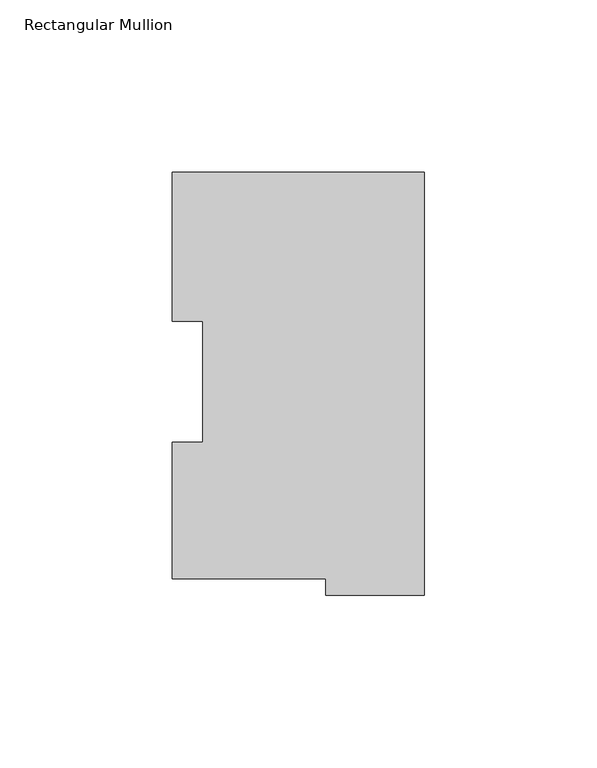
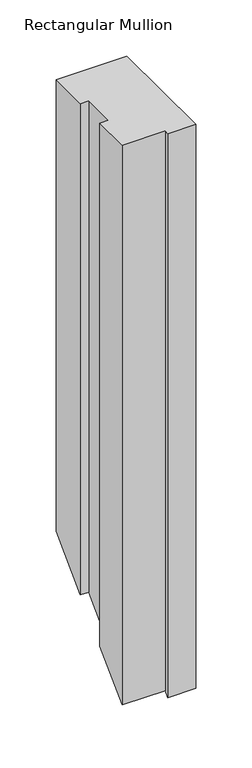
"""IFC4 building model written with IfcOpenShell, lengths in millimetres: member geometry, Rectangular Mullion."""

from ifc_helpers import new_model, si_unit, origin, place, context, project, spatial, faceted_brep, source, transform, mapped, element, save


def rectangular_mullion_6becf256(model_context):
    return source(origin(), model_context, "Body", "Brep", [
        faceted_brep([(0.0, 117.827425, 0.0), (-73.025, 117.827425, 0.0), (-73.025, 74.596625, 0.0), (-64.2874, 74.596625, 0.0), (-64.2874, 39.646225, 0.0), (-73.025, 39.646225, 0.0), (-73.025, -0.028575, 0.0), (-28.575, -0.028575, 0.0), (-28.575, -4.778375, 0.0), (0.0, -4.778375, 0.0), (0.0, 117.827425, -491.740825), (-73.025, 117.827425, -491.740825), (-73.025, 74.596625, -534.971625), (-64.2874, 74.596625, -534.971625), (-64.2874, 39.646225, -569.922025), (-73.025, 39.646225, -569.922025), (-73.025, -0.028575, -609.596825), (-28.575, -0.028575, -609.596825), (-28.575, -4.778375, -614.346625), (0.0, -4.778375, -614.346625)], [[[0, 1, 2, 3, 4, 5, 6, 7, 8, 9]], [[1, 0, 10, 11]], [[2, 1, 11, 12]], [[3, 2, 12, 13]], [[4, 3, 13, 14]], [[5, 4, 14, 15]], [[6, 5, 15, 16]], [[7, 6, 16, 17]], [[8, 7, 17, 18]], [[9, 8, 18, 19]], [[0, 9, 19, 10]], [[10, 19, 18, 17, 16, 15, 14, 13, 12, 11]]]),
    ])


if __name__ == "__main__":
    model = new_model("IFC4")
    model_context = context("Model", 3, world=origin())
    ifc_project = project(units=[si_unit("LENGTHUNIT", "METRE", prefix="MILLI")], contexts=[model_context])
    site = spatial("IfcSite", under=ifc_project)
    building = spatial("IfcBuilding", under=site)
    placement = place(None, origin())
    rectangular_mullion_shape = rectangular_mullion_6becf256(model_context)
    element("IfcMember", 1, ObjectType="Rectangular Mullion", at=placement, inside=building, context=model_context, shape_type="MappedRepresentation", body=[
        mapped(rectangular_mullion_shape, transform((0.0, 0.0, 0.0), x_axis=(1.0, 0.0, 0.0), y_axis=(0.0, 1.0, 0.0), z_axis=(0.0, 0.0, 1.0))),
    ])
    save(model, "model.ifc")
